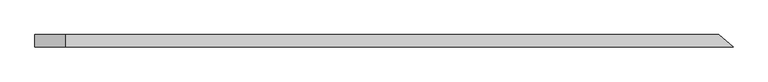
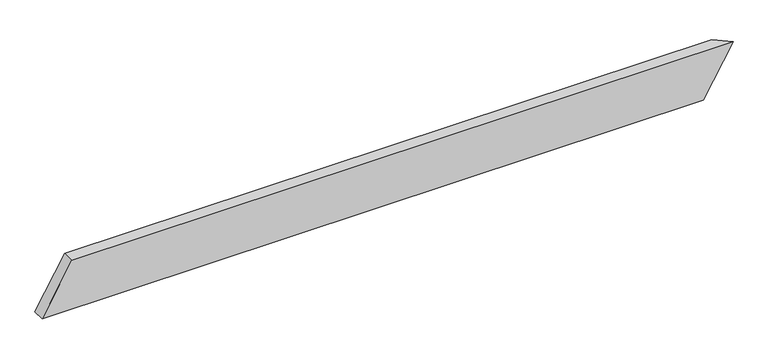
"""IFC4 building model written with IfcOpenShell, lengths in millimetres: beam geometry."""

from ifc_helpers import new_model, si_unit, origin, place, context, project, spatial, faceted_brep, source, transform, mapped, element, save


def beam_11a51273(model_context):
    return source(origin(), model_context, "Body", "Brep", [
        faceted_brep([(1363.967722, -24.0, 100.0), (-1219.5161674, -24.0, 100.0), (-1336.1828341, -24.0, -100.0), (1247.3010554, -24.0, -100.0), (1308.3979461, 24.0, 100.0), (1191.7312794, 24.0, -100.0), (-1336.1828341, 24.0, -100.0), (-1219.5161674, 24.0, 100.0)], [[[0, 1, 2, 3]], [[4, 5, 6, 7]], [[5, 4, 0, 3]], [[6, 5, 3, 2]], [[7, 6, 2, 1]], [[4, 7, 1, 0]]]),
    ])


if __name__ == "__main__":
    model = new_model("IFC4")
    model_context = context("Model", 3, world=origin())
    ifc_project = project(units=[si_unit("LENGTHUNIT", "METRE", prefix="MILLI")], contexts=[model_context])
    site = spatial("IfcSite", under=ifc_project)
    building = spatial("IfcBuilding", under=site)
    placement = place(None, origin())
    beam_shape = beam_11a51273(model_context)
    element("IfcBeam", 1, at=placement, inside=building, context=model_context, shape_type="MappedRepresentation", body=[
        mapped(beam_shape, transform((0.0, 0.0, 0.0), x_axis=(1.0, 0.0, 0.0), y_axis=(0.0, 1.0, 0.0), z_axis=(0.0, 0.0, 1.0))),
    ])
    save(model, "model.ifc")
